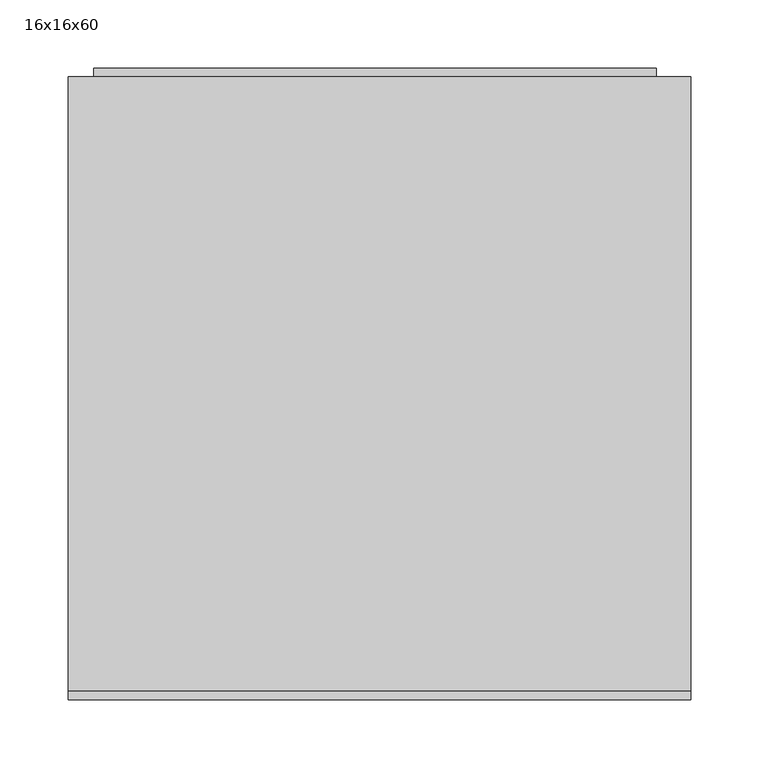
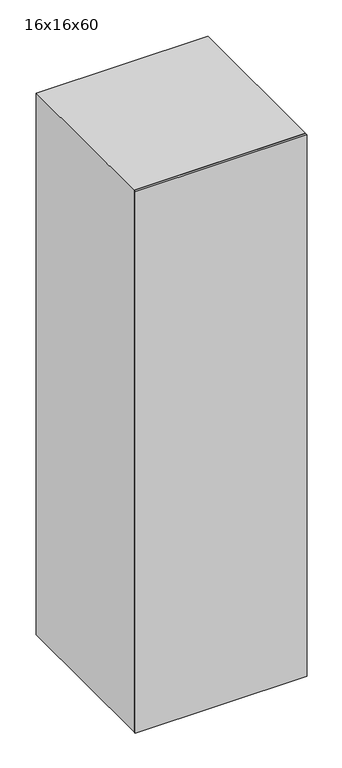
"""IFC4 building model written with IfcOpenShell, lengths in millimetres: furniture geometry, 16x16x60."""

from ifc_helpers import new_model, si_unit, point, frame, frame_2d, origin, origin_with_axes, place, context, project, spatial, polyline, circle_curve, trimmed, segment, composite_curve, outline, extrude, source, transform, mapped, element, save
from ifc_brep_helpers import plane_surface, cylinder_surface, revolved_surface, advanced_brep


def furniture_16x16x60_1d3febbc(model_context):
    return source(origin(), model_context, "Body", "SolidModel", [
        extrude(outline(polyline([(1498.6, 203.2), (1498.6, -215.9), (0.0, -215.9), (0.0, 203.2), (1498.6, 203.2)]), holes=[polyline([(1375.3615171, 76.2), (1362.6615171, 76.2), (1362.6615171, -76.2), (1375.3615171, -76.2), (1375.3615171, 76.2)]), polyline([(1349.9615171, 76.2), (1337.2615171, 76.2), (1337.2615171, -76.2), (1349.9615171, -76.2), (1349.9615171, 76.2)]), polyline([(1324.5615171, 76.2), (1311.8615171, 76.2), (1311.8615171, -76.2), (1324.5615171, -76.2), (1324.5615171, 76.2)])]), frame((0.0, 298.45, 0.0), z_axis=(0.0, 1.0, 0.0), x_axis=(0.0, 0.0, 1.0)), (0.0, 0.0, 1.0), 6.35),
        extrude(outline(polyline([(1524.0, 228.6), (1524.0, -228.6), (0.0, -228.6), (0.0, 228.6), (1524.0, 228.6)]), holes=[polyline([(76.2, -209.844259), (1498.6, -209.844259), (1498.6, 203.2), (76.2, 203.2), (76.2, -209.844259)])]), frame((0.0, -146.05, 0.0), z_axis=(0.0, 1.0, 0.0), x_axis=(0.0, 0.0, 1.0)), (0.0, 0.0, 1.0), 450.85),
        extrude(outline(polyline([(228.6, -146.05), (228.6, -152.4), (-228.6, -152.4), (-228.6, -146.05), (228.6, -146.05)])), origin_with_axes(), (0.0, 0.0, 1.0), 1524.0),
        extrude(outline(polyline([(340.1012595, -13.8620087), (365.1104902, -13.8620087), (365.1104902, -15.8769126), (361.782846, -18.6580905), (358.8581826, -23.2404703), (355.9029902, -23.2404703), (357.4813316, -19.9494607), (359.5908749, -16.9881626), (340.1012595, -16.9881626), (340.1012595, -13.8620087)])), frame((0.0, 304.8, 0.0), z_axis=(0.0, 1.0, 0.0), x_axis=(0.0, 0.0, 1.0)), (0.0, 0.0, 1.0), 3.175),
        extrude(outline(polyline([(352.4043845, -6.4373933), (342.0917402, -3.9462395), (339.7104902, 1.7687605), (341.0812354, 6.3450345), (345.2392643, 9.0651547), (352.4043845, 9.9749143), (358.2811874, 9.4070778), (361.9812835, 7.9416932), (364.3045287, 5.4200105), (365.1104902, 1.7687605), (363.7489037, -2.7891962), (359.6000335, -5.5184751), (352.4043845, -6.4373933)]), holes=[polyline([(352.4104902, -3.3112395), (360.3113556, -1.7970087), (361.9843364, 1.7321259), (360.0854422, 5.432222), (352.4104902, 6.8487605), (344.6531104, 5.3833759), (342.8366441, 1.7687605), (344.6470047, -1.8458549), (352.4104902, -3.3112395)])]), frame((0.0, 304.8, 0.0), z_axis=(0.0, 1.0, 0.0), x_axis=(0.0, 0.0, 1.0)), (0.0, 0.0, 1.0), 3.175),
        extrude(outline(polyline([(340.1012595, 24.4333759), (365.1104902, 24.4333759), (365.1104902, 22.418472), (361.782846, 19.6372942), (358.8581826, 15.0549143), (355.9029902, 15.0549143), (357.4813316, 18.345924), (359.5908749, 21.307222), (340.1012595, 21.307222), (340.1012595, 24.4333759)])), frame((0.0, 304.8, 0.0), z_axis=(0.0, 1.0, 0.0), x_axis=(0.0, 0.0, 1.0)), (0.0, 0.0, 1.0), 3.175),
        advanced_brep(
        [(-196.85, 57.15, 1105.5799451), (-203.2, 57.15, 1105.5799451), (-203.2, 95.25, 1105.5799451), (-196.85, 95.25, 1105.5799451), (-184.15, 62.3205445, 1105.5799451), (-196.85, 62.3205445, 1105.5799451), (-196.85, 90.0794555, 1105.5799451), (-184.15, 90.0794555, 1105.5799451), (-203.2, 63.5, 1105.5799451), (-184.15, 63.5, 1105.5799451), (-184.15, 88.9, 1105.5799451), (-203.2, 88.9, 1105.5799451)],
        [
            (0, 1),
            (1, 2, circle_curve(frame((-203.2, 76.2, 1105.5799451), z_axis=(1.0, 0.0, 0.0), x_axis=(0.0, 1.0, 0.0)), 19.05)),
            (2, 3),
            (3, 0, circle_curve(frame((-196.85, 76.2, 1105.5799451), z_axis=(-1.0, 0.0, 0.0), x_axis=(0.0, 1.0, 0.0)), 19.05)),
            (4, 5),
            (5, 6, circle_curve(frame((-196.85, 76.2, 1105.5799451), z_axis=(1.0, 0.0, 0.0), x_axis=(0.0, 1.0, 0.0)), 13.8794555)),
            (6, 7),
            (7, 4, circle_curve(frame((-184.15, 76.2, 1105.5799451), z_axis=(-1.0, 0.0, 0.0), x_axis=(0.0, 1.0, 0.0)), 13.8794555)),
            (8, 9),
            (9, 10, circle_curve(frame((-184.15, 76.2, 1105.5799451), z_axis=(1.0, 0.0, 0.0), x_axis=(0.0, 1.0, 0.0)), 12.7)),
            (10, 11),
            (11, 8, circle_curve(frame((-203.2, 76.2, 1105.5799451), z_axis=(-1.0, 0.0, 0.0), x_axis=(0.0, 1.0, 0.0)), 12.7)),
            (1, 2, circle_curve(frame((-203.2, 76.2, 1105.5799451), z_axis=(-1.0, 0.0, 0.0), x_axis=(0.0, -1.0, 0.0)), 19.05)),
            (11, 8, circle_curve(frame((-203.2, 76.2, 1105.5799451), z_axis=(1.0, 0.0, 0.0), x_axis=(0.0, -1.0, 0.0)), 12.7)),
            (0, 3, circle_curve(frame((-196.85, 76.2, 1105.5799451), z_axis=(-1.0, 0.0, 0.0), x_axis=(0.0, -1.0, 0.0)), 19.05)),
            (5, 6, circle_curve(frame((-196.85, 76.2, 1105.5799451), z_axis=(-1.0, 0.0, 0.0), x_axis=(0.0, -1.0, 0.0)), 13.8794555)),
            (4, 7, circle_curve(frame((-184.15, 76.2, 1105.5799451), z_axis=(-1.0, 0.0, 0.0), x_axis=(0.0, -1.0, 0.0)), 13.8794555)),
            (9, 10, circle_curve(frame((-184.15, 76.2, 1105.5799451), z_axis=(-1.0, 0.0, 0.0), x_axis=(0.0, -1.0, 0.0)), 12.7)),
        ],
        [
            cylinder_surface(frame((0.0, 76.2, 1105.5799451), z_axis=(1.0, 0.0, 0.0), x_axis=(0.0, 1.0, 0.0)), 19.05),
            cylinder_surface(frame((0.0, 76.2, 1105.5799451), z_axis=(1.0, 0.0, 0.0), x_axis=(0.0, 1.0, 0.0)), 13.8794555),
            revolved_surface(polyline([(-184.15, 88.9, 1105.5799451), (-203.2, 88.9, 1105.5799451)]), (0.0, 76.2, 1105.5799451), (1.0, 0.0, 0.0)),
            plane_surface(frame((-203.2, 76.2, 1105.5799451), z_axis=(-1.0, 0.0, 0.0), x_axis=(0.0, -1.0, 0.0))),
            cylinder_surface(frame((0.0, 76.2, 1105.5799451), z_axis=(1.0, 0.0, 0.0), x_axis=(0.0, -1.0, 0.0)), 19.05),
            plane_surface(frame((-196.85, 76.2, 1105.5799451), z_axis=(1.0, 0.0, 0.0), x_axis=(0.0, -1.0, 0.0))),
            cylinder_surface(frame((0.0, 76.2, 1105.5799451), z_axis=(1.0, 0.0, 0.0), x_axis=(0.0, -1.0, 0.0)), 13.8794555),
            plane_surface(frame((-184.15, 76.2, 1105.5799451), z_axis=(1.0, 0.0, 0.0), x_axis=(0.0, -1.0, 0.0))),
            revolved_surface(polyline([(-184.15, 63.5, 1105.5799451), (-203.2, 63.5, 1105.5799451)]), (0.0, 76.2, 1105.5799451), (1.0, 0.0, 0.0)),
        ],
        [
            (0, [[1, 2, 3, 4]]),
            (1, [[5, 6, 7, 8]]),
            (2, [[9, 10, 11, 12]]),
            (3, [[-2, 13], [-12, 14]]),
            (4, [[-3, -13, -1, 15]]),
            (5, [[-4, -15], [-6, 16]]),
            (6, [[-7, -16, -5, 17]]),
            (7, [[-8, -17], [-10, 18]]),
            (8, [[-11, -18, -9, -14]]),
        ],
    ),
        advanced_brep(
        [(184.15, 63.5, 1105.5799451), (203.2, 63.5, 1105.5799451), (203.2, 88.9, 1105.5799451), (184.15, 88.9, 1105.5799451), (196.85, 62.3205445, 1105.5799451), (184.15, 62.3205445, 1105.5799451), (184.15, 90.0794555, 1105.5799451), (196.85, 90.0794555, 1105.5799451), (203.2, 57.15, 1105.5799451), (196.85, 57.15, 1105.5799451), (196.85, 95.25, 1105.5799451), (203.2, 95.25, 1105.5799451)],
        [
            (0, 1),
            (1, 2, circle_curve(frame((203.2, 76.2, 1105.5799451), z_axis=(1.0, 0.0, 0.0), x_axis=(0.0, 1.0, 0.0)), 12.7)),
            (2, 3),
            (3, 0, circle_curve(frame((184.15, 76.2, 1105.5799451), z_axis=(-1.0, 0.0, 0.0), x_axis=(0.0, 1.0, 0.0)), 12.7)),
            (4, 5),
            (5, 6, circle_curve(frame((184.15, 76.2, 1105.5799451), z_axis=(1.0, 0.0, 0.0), x_axis=(0.0, 1.0, 0.0)), 13.8794555)),
            (6, 7),
            (7, 4, circle_curve(frame((196.85, 76.2, 1105.5799451), z_axis=(-1.0, 0.0, 0.0), x_axis=(0.0, 1.0, 0.0)), 13.8794555)),
            (8, 9),
            (9, 10, circle_curve(frame((196.85, 76.2, 1105.5799451), z_axis=(1.0, 0.0, 0.0), x_axis=(0.0, 1.0, 0.0)), 19.05)),
            (10, 11),
            (11, 8, circle_curve(frame((203.2, 76.2, 1105.5799451), z_axis=(-1.0, 0.0, 0.0), x_axis=(0.0, 1.0, 0.0)), 19.05)),
            (2, 1, circle_curve(frame((203.2, 76.2, 1105.5799451), z_axis=(1.0, 0.0, 0.0), x_axis=(0.0, -1.0, 0.0)), 12.7)),
            (0, 3, circle_curve(frame((184.15, 76.2, 1105.5799451), z_axis=(-1.0, 0.0, 0.0), x_axis=(0.0, -1.0, 0.0)), 12.7)),
            (5, 6, circle_curve(frame((184.15, 76.2, 1105.5799451), z_axis=(-1.0, 0.0, 0.0), x_axis=(0.0, -1.0, 0.0)), 13.8794555)),
            (4, 7, circle_curve(frame((196.85, 76.2, 1105.5799451), z_axis=(-1.0, 0.0, 0.0), x_axis=(0.0, -1.0, 0.0)), 13.8794555)),
            (9, 10, circle_curve(frame((196.85, 76.2, 1105.5799451), z_axis=(-1.0, 0.0, 0.0), x_axis=(0.0, -1.0, 0.0)), 19.05)),
            (8, 11, circle_curve(frame((203.2, 76.2, 1105.5799451), z_axis=(-1.0, 0.0, 0.0), x_axis=(0.0, -1.0, 0.0)), 19.05)),
        ],
        [
            revolved_surface(polyline([(203.2, 88.9, 1105.5799451), (184.15, 88.9, 1105.5799451)]), (0.0, 76.2, 1105.5799451), (1.0, 0.0, 0.0)),
            cylinder_surface(frame((0.0, 76.2, 1105.5799451), z_axis=(1.0, 0.0, 0.0), x_axis=(0.0, 1.0, 0.0)), 13.8794555),
            cylinder_surface(frame((0.0, 76.2, 1105.5799451), z_axis=(1.0, 0.0, 0.0), x_axis=(0.0, 1.0, 0.0)), 19.05),
            revolved_surface(polyline([(203.2, 63.5, 1105.5799451), (184.15, 63.5, 1105.5799451)]), (0.0, 76.2, 1105.5799451), (1.0, 0.0, 0.0)),
            plane_surface(frame((184.15, 76.2, 1105.5799451), z_axis=(-1.0, 0.0, 0.0), x_axis=(0.0, -1.0, 0.0))),
            cylinder_surface(frame((0.0, 76.2, 1105.5799451), z_axis=(1.0, 0.0, 0.0), x_axis=(0.0, -1.0, 0.0)), 13.8794555),
            plane_surface(frame((196.85, 76.2, 1105.5799451), z_axis=(-1.0, 0.0, 0.0), x_axis=(0.0, -1.0, 0.0))),
            cylinder_surface(frame((0.0, 76.2, 1105.5799451), z_axis=(1.0, 0.0, 0.0), x_axis=(0.0, -1.0, 0.0)), 19.05),
            plane_surface(frame((203.2, 76.2, 1105.5799451), z_axis=(1.0, 0.0, 0.0), x_axis=(0.0, -1.0, 0.0))),
        ],
        [
            (0, [[1, 2, 3, 4]]),
            (1, [[5, 6, 7, 8]]),
            (2, [[9, 10, 11, 12]]),
            (3, [[-3, 13, -1, 14]]),
            (4, [[-6, 15], [-4, -14]]),
            (5, [[-7, -15, -5, 16]]),
            (6, [[-10, 17], [-8, -16]]),
            (7, [[-11, -17, -9, 18]]),
            (8, [[-12, -18], [-2, -13]]),
        ],
    ),
        extrude(outline(polyline([(203.2, 311.15), (203.2, 279.4), (-209.844259, 279.4), (-209.844259, 311.15), (203.2, 311.15)])), frame((0.0, 0.0, 431.8), z_axis=(0.0, 0.0, 1.0), x_axis=(1.0, 0.0, 0.0)), (0.0, 0.0, 1.0), 6.35),
        extrude(outline(polyline([(203.2, 279.4), (203.2, 273.05), (-209.844259, 273.05), (-209.844259, 279.4), (203.2, 279.4)])), frame((0.0, 0.0, 76.2), z_axis=(0.0, 0.0, 1.0), x_axis=(1.0, 0.0, 0.0)), (0.0, 0.0, 1.0), 361.95),
        extrude(outline(composite_curve([segment(trimmed(circle_curve(frame_2d((76.2, 1105.5799451)), 12.7), [point((88.9, 1105.5799451))], [point((63.5, 1105.5799451))], False, "CARTESIAN"), True, "CONTINUOUS"), segment(trimmed(circle_curve(frame_2d((76.2, 1105.5799451)), 12.7), [point((63.5, 1105.5799451))], [point((88.9, 1105.5799451))], False, "CARTESIAN"), True, "CONTINUOUS")], self_intersect=False)), frame((-209.844259, 0.0, 0.0), z_axis=(1.0, 0.0, 0.0), x_axis=(0.0, 1.0, 0.0)), (0.0, 0.0, 1.0), 413.044259),
        extrude(outline(polyline([(127.0, 298.45), (127.0, -146.05), (-215.9, -146.05), (-215.9, 298.45), (127.0, 298.45)])), frame((0.0, 0.0, 1320.8), z_axis=(0.0, 0.0, 1.0), x_axis=(1.0, 0.0, 0.0)), (0.0, 0.0, 1.0), 6.35),
        extrude(outline(polyline([(203.2, 298.45), (203.2, -146.05), (-209.844259, -146.05), (-209.844259, 298.45), (203.2, 298.45)])), frame((0.0, 0.0, 438.15), z_axis=(0.0, 0.0, 1.0), x_axis=(1.0, 0.0, 0.0)), (0.0, 0.0, 1.0), 19.05),
    ])


if __name__ == "__main__":
    model = new_model("IFC4")
    model_context = context("Model", 3, world=origin())
    ifc_project = project(units=[si_unit("LENGTHUNIT", "METRE", prefix="MILLI")], contexts=[model_context])
    site = spatial("IfcSite", under=ifc_project)
    building = spatial("IfcBuilding", under=site)
    placement = place(None, origin())
    furniture_16x16x60_shape = furniture_16x16x60_1d3febbc(model_context)
    element("IfcFurniture", 1, ObjectType="16x16x60", at=placement, inside=building, context=model_context, shape_type="MappedRepresentation", body=[
        mapped(furniture_16x16x60_shape, transform((0.0, 0.0, 0.0), x_axis=(1.0, 0.0, 0.0), y_axis=(0.0, 1.0, 0.0), z_axis=(0.0, 0.0, 1.0))),
    ])
    save(model, "model.ifc")
